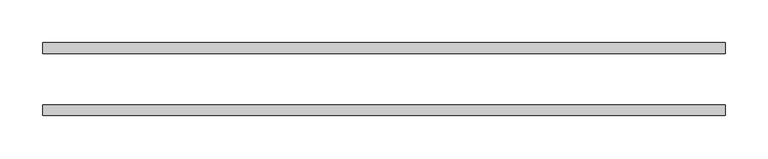
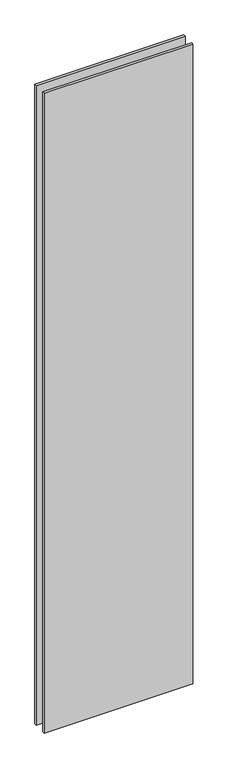
"""IFC4 building model written with IfcOpenShell, lengths in millimetres: plate geometry."""

from ifc_helpers import new_model, si_unit, origin, origin_with_axes, place, context, project, spatial, polyline, outline, extrude, source, transform, mapped, element, save


def plate_abc77aa1(model_context):
    return source(origin(), model_context, "Body", "SweptSolid", [
        extrude(outline(polyline([(399.1446413, 42.8355237), (399.1446413, 30.1355237), (-399.1446413, 30.1355237), (-399.1446413, 42.8355237), (399.1446413, 42.8355237)])), origin_with_axes(), (0.0, 0.0, 1.0), 3629.3723151),
        extrude(outline(polyline([(399.1446413, -42.8111299), (-399.1446413, -42.8111299), (-399.1446413, -30.1111299), (399.1446413, -30.1111299), (399.1446413, -42.8111299)])), origin_with_axes(), (0.0, 0.0, 1.0), 3629.3723151),
    ])


if __name__ == "__main__":
    model = new_model("IFC4")
    model_context = context("Model", 3, world=origin())
    ifc_project = project(units=[si_unit("LENGTHUNIT", "METRE", prefix="MILLI")], contexts=[model_context])
    site = spatial("IfcSite", under=ifc_project)
    building = spatial("IfcBuilding", under=site)
    placement = place(None, origin())
    plate_shape = plate_abc77aa1(model_context)
    element("IfcPlate", 1, at=placement, inside=building, context=model_context, shape_type="MappedRepresentation", body=[
        mapped(plate_shape, transform((0.0, 0.0, 0.0), x_axis=(1.0, 0.0, 0.0), y_axis=(0.0, 1.0, 0.0), z_axis=(0.0, 0.0, 1.0))),
    ])
    save(model, "model.ifc")
